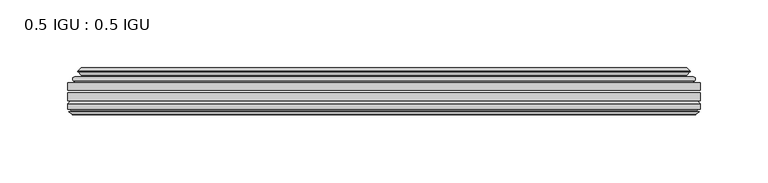
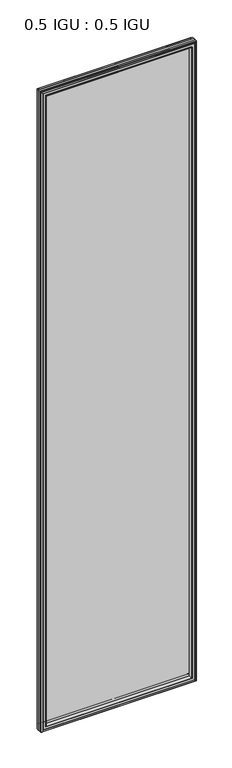
"""IFC4 building model written with IfcOpenShell, lengths in millimetres: plate geometry, 0.5 IGU : 0.5 IGU."""

import ifcopenshell
import ifcopenshell.guid

model = None  # the IFC model being written
_history = None  # IfcOwnerHistory: only IFC2X3 demands one
_inside = {}  # id of a spatial element -> (the spatial element, [elements in it])
_under = {}  # id of a project, library or spatial element -> (it, [spatial elements below it])
_declared = {}  # id of a project -> (the project, [libraries it declares])
_typed = {}  # id of a type object -> (the type object, [elements of that type])
_made_of = {}  # id of a material, layer set ... -> (it, [elements and type objects made of it])


def new_model(schema):
    """Start an empty IFC model of exactly this schema.

    Asked for "IFC4X3", IfcOpenShell would pick the latest addendum, in which some entities
    have other attributes; the version numbers below select the first issue.
    IFC2X3 requires an IfcOwnerHistory on every rooted entity: one is made here for all.
    """
    global model, _history
    if schema == "IFC4X3":
        model = ifcopenshell.file(schema_version=(4, 3, 0, 0))
    else:
        model = ifcopenshell.file(schema=schema)
    _inside.clear()
    _under.clear()
    _declared.clear()
    _typed.clear()
    _made_of.clear()
    _history = None
    if model.schema == "IFC2X3":
        org = make("IfcOrganization", Name="unknown")
        user = make(
            "IfcPersonAndOrganization",
            ThePerson=make("IfcPerson", FamilyName="unknown"),
            TheOrganization=org,
        )
        app = make(
            "IfcApplication",
            ApplicationDeveloper=org,
            Version="unknown",
            ApplicationFullName="unknown",
            ApplicationIdentifier="unknown",
        )
        _history = make(
            "IfcOwnerHistory",
            OwningUser=user,
            OwningApplication=app,
            ChangeAction="ADDED",
            CreationDate=0,
        )
    return model


def make(cls, **values):
    """One entity of the class cls with the attributes given. An attribute that is None is left unset."""
    return model.create_entity(
        cls, **{name: value for name, value in values.items() if value is not None}
    )


def rooted(cls, **values):
    """An entity with a GlobalId (a new one), such as an element, a storey or a relation."""
    return make(cls, GlobalId=ifcopenshell.guid.new(), OwnerHistory=_history, **values)


def si_unit(unit_type, name, prefix=None):
    """IfcSIUnit, for example si_unit("LENGTHUNIT", "METRE", prefix="MILLI")."""
    return make("IfcSIUnit", UnitType=unit_type, Prefix=prefix, Name=name)


def assignment(units):
    """IfcUnitAssignment: the units of a project."""
    return None if units is None else make("IfcUnitAssignment", Units=units)


def point(xyz):
    """IfcCartesianPoint."""
    return None if xyz is None else make("IfcCartesianPoint", Coordinates=xyz)


def direction(xyz):
    """IfcDirection."""
    return None if xyz is None else make("IfcDirection", DirectionRatios=xyz)


def frame(location, z_axis=None, x_axis=None):
    """IfcAxis2Placement3D, a coordinate frame: its origin and axes. An axis left out is left unset."""
    return make(
        "IfcAxis2Placement3D",
        Location=point(location),
        Axis=direction(z_axis),
        RefDirection=direction(x_axis),
    )


def origin():
    """The frame at (0, 0, 0) with its axes left unset."""
    return frame((0.0, 0.0, 0.0))


def place(relative_to, where):
    """IfcLocalPlacement: puts the frame where relative to a parent placement (None: the world)."""
    return make(
        "IfcLocalPlacement", PlacementRelTo=relative_to, RelativePlacement=where
    )


def context(
    kind, dimensions, precision=None, world=None, true_north=None, identifier=None
):
    """IfcGeometricRepresentationContext, for example the 3D "Model" context."""
    return make(
        "IfcGeometricRepresentationContext",
        ContextIdentifier=identifier,
        ContextType=kind,
        CoordinateSpaceDimension=dimensions,
        Precision=precision,
        WorldCoordinateSystem=world,
        TrueNorth=true_north,
    )


def project(units=None, contexts=None):
    """IfcProject with its units and contexts."""
    return rooted(
        "IfcProject",
        Name="project",
        RepresentationContexts=contexts,
        UnitsInContext=assignment(units),
    )


def spatial(cls, under=None, at=None, **own):
    """A site, building, storey or space (cls), placed at a placement, below another one or the project."""
    s = rooted(cls, ObjectPlacement=at, **own)
    if under is not None:
        _under.setdefault(under.id(), (under, []))[1].append(s)
    return s


def polyline(points):
    """IfcPolyline through the points."""
    return make("IfcPolyline", Points=[point(p) for p in points])


def ellipse_curve(where, semi_axis1, semi_axis2):
    """IfcEllipse in the frame where."""
    return make(
        "IfcEllipse", Position=where, SemiAxis1=semi_axis1, SemiAxis2=semi_axis2
    )


def outline(outer, holes=None, kind="AREA"):
    """IfcArbitraryClosedProfileDef: a profile drawn as a closed curve; with holes, ...WithVoids."""
    if holes is None:
        return make("IfcArbitraryClosedProfileDef", ProfileType=kind, OuterCurve=outer)
    return make(
        "IfcArbitraryProfileDefWithVoids",
        ProfileType=kind,
        OuterCurve=outer,
        InnerCurves=holes,
    )


def extrude(swept, where, along, depth):
    """IfcExtrudedAreaSolid: the profile swept, set in the frame where, extruded along a direction by depth."""
    return make(
        "IfcExtrudedAreaSolid",
        SweptArea=swept,
        Position=where,
        ExtrudedDirection=direction(along),
        Depth=depth,
    )


def faces_of(points, faces, orient=None, outer=None):
    """IfcFace entities. A face is a list of loops; a loop is a list of indices into points, from 0.

    orient and outer hold one flag for each loop. By default every Orientation is true, the
    first loop of a face is its IfcFaceOuterBound and the others are IfcFaceBound.
    """
    made = []
    for i, loops in enumerate(faces):
        bounds = []
        for j, loop in enumerate(loops):
            is_outer = j == 0 if outer is None else outer[i][j]
            bounds.append(
                make(
                    "IfcFaceOuterBound" if is_outer else "IfcFaceBound",
                    Bound=make("IfcPolyLoop", Polygon=[points[k] for k in loop]),
                    Orientation=True if orient is None else orient[i][j],
                )
            )
        made.append(make("IfcFace", Bounds=bounds))
    return made


def faceted_brep(points, faces, orient=None, outer=None, voids=None):
    """IfcFacetedBrep: a solid bounded by flat faces; with voids (closed shells), ...WithVoids."""
    shared = [point(p) for p in points]
    hull = make("IfcClosedShell", CfsFaces=faces_of(shared, faces, orient, outer))
    if voids is None:
        return make("IfcFacetedBrep", Outer=hull)
    return make(
        "IfcFacetedBrepWithVoids",
        Outer=hull,
        Voids=[
            make(cls, CfsFaces=faces_of(shared, fs, o, b)) for cls, fs, o, b in voids
        ],
    )


def shape(context_of_items, identifier, shape_type, items):
    """IfcShapeRepresentation: the items that make up one representation, for example the "Body"."""
    return make(
        "IfcShapeRepresentation",
        ContextOfItems=context_of_items,
        RepresentationIdentifier=identifier,
        RepresentationType=shape_type,
        Items=items,
    )


def source(mapping_origin, context_of_items, identifier, shape_type, items):
    """IfcRepresentationMap: a shape defined once, which mapped items show again and again."""
    return make(
        "IfcRepresentationMap",
        MappingOrigin=mapping_origin,
        MappedRepresentation=shape(context_of_items, identifier, shape_type, items),
    )


def transform(
    local_origin,
    x_axis=None,
    y_axis=None,
    z_axis=None,
    scale=None,
    scale2=None,
    scale3=None,
    uniform=True,
):
    """IfcCartesianTransformationOperator3D, or its non-uniform kind. x_axis, y_axis, z_axis: its Axis1, 2, 3."""
    if uniform:
        return make(
            "IfcCartesianTransformationOperator3D",
            Axis1=direction(x_axis),
            Axis2=direction(y_axis),
            LocalOrigin=point(local_origin),
            Scale=scale,
            Axis3=direction(z_axis),
        )
    return make(
        "IfcCartesianTransformationOperator3DnonUniform",
        Axis1=direction(x_axis),
        Axis2=direction(y_axis),
        LocalOrigin=point(local_origin),
        Scale=scale,
        Axis3=direction(z_axis),
        Scale2=scale2,
        Scale3=scale3,
    )


def mapped(mapping_source, mapping_target):
    """IfcMappedItem: shows the shape of a source again, moved by a transform."""
    return make(
        "IfcMappedItem", MappingSource=mapping_source, MappingTarget=mapping_target
    )


def made_of(thing, what):
    """Note that an element or type object is made of a material, layer set ...; save() writes the relation."""
    if what is not None:
        _made_of.setdefault(what.id(), (what, []))[1].append(thing)
    return thing


def element(
    cls,
    number,
    at=None,
    inside=None,
    cuts=None,
    type_object=None,
    material=None,
    context=None,
    identifier="Body",
    shape_type=None,
    held_by="IfcProductDefinitionShape",
    body=None,
    shapes=None,
    **own,
):
    """One element of the class cls, such as IfcWall. Its Tag is "e" and its number.

    at: its placement. inside: the storey or other place that contains it. cuts: it is an
    opening in that element (IfcRelVoidsElement). A single representation is given by context,
    identifier, shape_type and body (its items); several are given by shapes. held_by: the class
    of the entity that holds the representations. save() writes the other relations.
    """
    e = rooted(cls, Tag="e%d" % number, ObjectPlacement=at, **own)
    if body is not None:
        shapes = [shape(context, identifier, shape_type, body)]
    if shapes is not None:
        e.Representation = make(held_by, Representations=shapes)
    if inside is not None:
        _inside.setdefault(inside.id(), (inside, []))[1].append(e)
    if cuts is not None:
        rooted(
            "IfcRelVoidsElement", RelatingBuildingElement=cuts, RelatedOpeningElement=e
        )
    if type_object is not None:
        _typed.setdefault(type_object.id(), (type_object, []))[1].append(e)
    return made_of(e, material)


def aggregate(whole, parts):
    """IfcRelAggregates: a whole, such as a stair, and the parts it consists of."""
    return rooted("IfcRelAggregates", RelatingObject=whole, RelatedObjects=parts)


def save(model, path):
    """Write the relations noted so far, then the file.

    IfcRelAggregates (storeys below a building ...), IfcRelContainedInSpatialStructure (elements
    in a storey), IfcRelDefinesByType, IfcRelAssociatesMaterial and IfcRelDeclares: one each for
    every whole, place, type object, material and project.
    """
    for whole, parts in _under.values():
        aggregate(whole, parts)
    for where, things in _inside.values():
        rooted(
            "IfcRelContainedInSpatialStructure",
            RelatedElements=things,
            RelatingStructure=where,
        )
    for kind, things in _typed.values():
        rooted("IfcRelDefinesByType", RelatedObjects=things, RelatingType=kind)
    for what, things in _made_of.values():
        rooted("IfcRelAssociatesMaterial", RelatedObjects=things, RelatingMaterial=what)
    for by, libraries in _declared.values():
        rooted("IfcRelDeclares", RelatingContext=by, RelatedDefinitions=libraries)
    model.write(path)


def plane_surface(at):
    """IfcPlane: the flat surface through the origin of the frame at, square to its z axis."""
    return make("IfcPlane", Position=at)


def cylinder_surface(at, radius):
    """IfcCylindricalSurface: all points at the distance radius from the z axis of the frame at."""
    return make("IfcCylindricalSurface", Position=at, Radius=radius)


def revolved_surface(curve, axis_point, axis_direction):
    """IfcSurfaceOfRevolution: the curve turned about the line through axis_point along axis_direction."""
    return make(
        "IfcSurfaceOfRevolution",
        SweptCurve=make("IfcArbitraryOpenProfileDef", ProfileType="CURVE", Curve=curve),
        AxisPosition=make("IfcAxis1Placement", Location=point(axis_point), Axis=direction(axis_direction)),
    )


def advanced_brep(points, edges, surfaces, faces):
    """IfcAdvancedBrep: a solid bounded by faces that lie on surfaces and meet in shared edges.

    An edge is (start, end): straight between two places in points (the first is 0);
    or (start, end, curve); or (start, end, curve, False) where it runs against its curve.
    A face is (place in surfaces, loops), or (place, loops, False) where it looks against
    its surface's normal. A loop lists edges by number (the first is 1), with a minus sign
    where the edge is run from its end to its start. The first loop is the outer one.
    """
    corners = [point(p) for p in points]
    vertices = [make("IfcVertexPoint", VertexGeometry=c) for c in corners]
    made = []
    for start, end, *more in edges:
        made.append(
            make(
                "IfcEdgeCurve",
                EdgeStart=vertices[start],
                EdgeEnd=vertices[end],
                EdgeGeometry=more[0] if more else make("IfcPolyline", Points=[corners[start], corners[end]]),
                SameSense=more[1] if len(more) > 1 else True,
            )
        )
    hull = []
    for where, loops, *sense in faces:
        bounds = []
        for j, loop in enumerate(loops):
            ring = [make("IfcOrientedEdge", EdgeElement=made[abs(k) - 1], Orientation=k > 0) for k in loop]
            bounds.append(
                make(
                    "IfcFaceOuterBound" if j == 0 else "IfcFaceBound",
                    Bound=make("IfcEdgeLoop", EdgeList=ring),
                    Orientation=True,
                )
            )
        hull.append(make("IfcAdvancedFace", Bounds=bounds, FaceSurface=surfaces[where], SameSense=sense[0] if sense else True))
    return make("IfcAdvancedBrep", Outer=make("IfcClosedShell", CfsFaces=hull))


def plate_0_5_igu_0_5_igu_014b5b0b(model_context):
    return source(origin(), model_context, "Body", "SolidModel", [
        extrude(outline(polyline([(233.3608, -55.82285), (233.3608, -61.48705), (-233.346625, -61.48705), (-233.346625, -55.82285), (233.3608, -55.82285)])), frame((0.0, 0.0, -14.2875), z_axis=(0.0, 0.0, 1.0), x_axis=(1.0, 0.0, 0.0)), (0.0, 0.0, 1.0), 2025.6537979),
        extrude(outline(polyline([(-233.346625, -69.05625), (-233.346625, -63.39205), (233.3608, -63.39205), (233.3608, -69.05625), (-233.346625, -69.05625)])), frame((0.0, 0.0, -14.2875), z_axis=(0.0, 0.0, 1.0), x_axis=(1.0, 0.0, 0.0)), (0.0, 0.0, 1.0), 2025.6537979),
        advanced_brep(
        [(-229.2440876, -54.3724927, 2007.2599626), (-228.1995628, -51.60645, 2006.2154378), (-228.1995628, -51.60645, -9.1404378), (-229.2440876, -54.3724927, -10.1849626), (-227.607642, -55.82285, 2005.623517), (-227.607642, -55.82285, -8.548517), (-219.059125, -45.63745, 1997.075), (-215.4764011, -55.82285, 1993.4922761), (-215.4764011, -55.82285, 3.5827239), (-219.059125, -45.63745, 0.0), (-224.2450359, -46.8185491, 2002.2609109), (-224.2450359, -46.8185491, -5.1859109), (-223.4480143, -44.8183085, 2001.4638893), (-223.4480143, -44.8183085, -4.3888893), (-225.7317361, -47.135817, 2003.7476111), (-225.7317361, -47.135817, -6.6726111), (-225.7317361, -47.8489429, 2003.7476111), (-225.7317361, -47.8489429, -6.6726111), (-223.4480143, -50.1664515, 2001.4638893), (-223.4480143, -50.1664515, -4.3888893), (-224.2373751, -48.1854367, 2002.2532501), (-224.2373751, -48.1854367, -5.1782501), (-221.7135629, -48.027045, 1999.7294379), (-221.7135629, -48.027045, -2.6544379), (-220.6877467, -48.7147544, 1998.7036217), (-220.6877467, -48.7147544, -1.6286217), (-220.8061538, -50.1092231, 1998.8220288), (-220.8061538, -50.1092231, -1.7470288), (-221.4078998, -51.60645, 1999.4237748), (-221.4078998, -51.60645, -2.3487748), (228.1995628, -51.60645, -9.1404378), (229.2440876, -54.3724927, -10.1849626), (227.607642, -55.82285, -8.548517), (215.4764011, -55.82285, 3.5827239), (219.059125, -45.63745, 0.0), (224.2450359, -46.8185491, -5.1859109), (223.4480143, -44.8183085, -4.3888893), (225.7317361, -47.135817, -6.6726111), (225.7317361, -47.8489429, -6.6726111), (223.4480143, -50.1664515, -4.3888893), (224.2373751, -48.1854367, -5.1782501), (221.7135629, -48.027045, -2.6544379), (220.6877467, -48.7147544, -1.6286217), (220.8061538, -50.1092231, -1.7470288), (221.4078998, -51.60645, -2.3487748), (228.1995628, -51.60645, 2006.2154378), (229.2440876, -54.3724927, 2007.2599626), (227.607642, -55.82285, 2005.623517), (215.4764011, -55.82285, 1993.4922761), (219.059125, -45.63745, 1997.075), (224.2450359, -46.8185491, 2002.2609109), (223.4480143, -44.8183085, 2001.4638893), (225.7317361, -47.135817, 2003.7476111), (225.7317361, -47.8489429, 2003.7476111), (223.4480143, -50.1664515, 2001.4638893), (224.2373751, -48.1854367, 2002.2532501), (221.7135629, -48.027045, 1999.7294379), (220.6877467, -48.7147544, 1998.7036217), (220.8061538, -50.1092231, 1998.8220288), (221.4078998, -51.60645, 1999.4237748)],
        [
            (0, 1, ellipse_curve(frame((-228.1911953, -53.1898501, 2006.2070703), z_axis=(-0.7071067811865475, 0.0, -0.7071067811865475), x_axis=(-0.7071067811865474, 0.0, 0.7071067811865476)), 2.2392971, 1.5834222)),
            (1, 2),
            (2, 3, ellipse_curve(frame((-228.1911953, -53.1898501, -9.1320703), z_axis=(-0.7071067811865475, 0.0, 0.7071067811865475), x_axis=(0.7071067811865474, 0.0, 0.7071067811865476)), 2.2392971, 1.5834222)),
            (3, 0),
            (4, 0),
            (3, 5),
            (5, 4),
            (6, 7, ellipse_curve(frame((-186.779371, -40.0058297, 1964.795246), z_axis=(0.7071067811865475, 0.0, 0.7071067811865475), x_axis=(0.7071067811865474, 0.0, -0.7071067811865476)), 46.3399971, 32.7673262)),
            (7, 8),
            (8, 9, ellipse_curve(frame((-186.779371, -40.0058297, 32.279754), z_axis=(0.7071067811865475, 0.0, -0.7071067811865475), x_axis=(-0.7071067811865474, 0.0, -0.7071067811865476)), 46.3399971, 32.7673262)),
            (9, 6),
            (10, 6),
            (9, 11),
            (11, 10),
            (12, 10),
            (11, 13),
            (13, 12),
            (14, 12),
            (13, 15),
            (15, 14),
            (16, 14, ellipse_curve(frame((-225.3698979, -47.49238, 2003.3857729), z_axis=(-0.7071067811865475, 0.0, -0.7071067811865475), x_axis=(-0.7071067811865474, 0.0, 0.7071067811865476)), 0.7184205, 0.508)),
            (15, 17, ellipse_curve(frame((-225.3698979, -47.49238, -6.3107729), z_axis=(-0.7071067811865475, 0.0, 0.7071067811865475), x_axis=(0.7071067811865474, 0.0, 0.7071067811865476)), 0.7184205, 0.508)),
            (17, 16),
            (18, 16),
            (17, 19),
            (19, 18),
            (20, 18),
            (19, 21),
            (21, 20),
            (22, 20),
            (21, 23),
            (23, 22),
            (24, 22, ellipse_curve(frame((-221.649925, -49.04105, 1999.6658), z_axis=(0.7071067811865475, 0.0, 0.7071067811865475), x_axis=(0.7071067811865474, 0.0, -0.7071067811865476)), 1.436841, 1.016)),
            (23, 25, ellipse_curve(frame((-221.649925, -49.04105, -2.5908), z_axis=(0.7071067811865475, 0.0, -0.7071067811865475), x_axis=(-0.7071067811865474, 0.0, -0.7071067811865476)), 1.436841, 1.016)),
            (25, 24),
            (26, 24, ellipse_curve(frame((-223.021525, -49.21885, 2001.0374), z_axis=(0.7071067811865475, 0.0, 0.7071067811865475), x_axis=(0.7071067811865474, 0.0, -0.7071067811865476)), 3.3765763, 2.3876)),
            (25, 27, ellipse_curve(frame((-223.021525, -49.21885, -3.9624), z_axis=(0.7071067811865475, 0.0, -0.7071067811865475), x_axis=(-0.7071067811865474, 0.0, -0.7071067811865476)), 3.3765763, 2.3876)),
            (27, 26),
            (28, 26),
            (27, 29),
            (29, 28),
            (2, 30),
            (30, 31, ellipse_curve(frame((228.1911953, -53.1898501, -9.1320703), z_axis=(-0.7071067811865475, 0.0, -0.7071067811865475), x_axis=(-0.7071067811865476, 0.0, 0.7071067811865474)), 2.2392971, 1.5834222)),
            (31, 3),
            (31, 32),
            (32, 5),
            (8, 33),
            (33, 34, ellipse_curve(frame((186.779371, -40.0058297, 32.279754), z_axis=(0.7071067811865475, 0.0, 0.7071067811865475), x_axis=(0.7071067811865476, 0.0, -0.7071067811865474)), 46.3399971, 32.7673262)),
            (34, 9),
            (34, 35),
            (35, 11),
            (35, 36),
            (36, 13),
            (36, 37),
            (37, 15),
            (37, 38, ellipse_curve(frame((225.3698979, -47.49238, -6.3107729), z_axis=(-0.7071067811865475, 0.0, -0.7071067811865475), x_axis=(-0.7071067811865476, 0.0, 0.7071067811865474)), 0.7184205, 0.508)),
            (38, 17),
            (38, 39),
            (39, 19),
            (39, 40),
            (40, 21),
            (40, 41),
            (41, 23),
            (41, 42, ellipse_curve(frame((221.649925, -49.04105, -2.5908), z_axis=(0.7071067811865475, 0.0, 0.7071067811865475), x_axis=(0.7071067811865476, 0.0, -0.7071067811865474)), 1.436841, 1.016)),
            (42, 25),
            (42, 43, ellipse_curve(frame((223.021525, -49.21885, -3.9624), z_axis=(0.7071067811865475, 0.0, 0.7071067811865475), x_axis=(0.7071067811865476, 0.0, -0.7071067811865474)), 3.3765763, 2.3876)),
            (43, 27),
            (43, 44),
            (44, 29),
            (30, 45),
            (45, 46, ellipse_curve(frame((228.1911953, -53.1898501, 2006.2070703), z_axis=(0.7071067811865475, 0.0, -0.7071067811865475), x_axis=(-0.7071067811865474, 0.0, -0.7071067811865476)), 2.2392971, 1.5834222)),
            (46, 31),
            (46, 47),
            (47, 32),
            (33, 48),
            (48, 49, ellipse_curve(frame((186.779371, -40.0058297, 1964.795246), z_axis=(-0.7071067811865475, 0.0, 0.7071067811865475), x_axis=(0.7071067811865474, 0.0, 0.7071067811865476)), 46.3399971, 32.7673262)),
            (49, 34),
            (49, 50),
            (50, 35),
            (50, 51),
            (51, 36),
            (51, 52),
            (52, 37),
            (52, 53, ellipse_curve(frame((225.3698979, -47.49238, 2003.3857729), z_axis=(0.7071067811865475, 0.0, -0.7071067811865475), x_axis=(-0.7071067811865474, 0.0, -0.7071067811865476)), 0.7184205, 0.508)),
            (53, 38),
            (53, 54),
            (54, 39),
            (54, 55),
            (55, 40),
            (55, 56),
            (56, 41),
            (56, 57, ellipse_curve(frame((221.649925, -49.04105, 1999.6658), z_axis=(-0.7071067811865475, 0.0, 0.7071067811865475), x_axis=(0.7071067811865474, 0.0, 0.7071067811865476)), 1.436841, 1.016)),
            (57, 42),
            (57, 58, ellipse_curve(frame((223.021525, -49.21885, 2001.0374), z_axis=(-0.7071067811865475, 0.0, 0.7071067811865475), x_axis=(0.7071067811865474, 0.0, 0.7071067811865476)), 3.3765763, 2.3876)),
            (58, 43),
            (58, 59),
            (59, 44),
            (45, 1),
            (0, 46),
            (4, 47),
            (7, 48),
            (6, 49),
            (10, 50),
            (12, 51),
            (14, 52),
            (16, 53),
            (18, 54),
            (20, 55),
            (22, 56),
            (24, 57),
            (26, 58),
            (28, 59),
        ],
        [
            cylinder_surface(frame((-228.1911953, -53.1898501, 2028.825), z_axis=(0.0, 0.0, 1.0), x_axis=(-1.0, 0.0, 0.0)), 1.5834222),
            plane_surface(frame((-229.2440876, -54.3724927, 2007.2599626), z_axis=(-0.6632745773184306, -0.7483761320907135, 0.0), x_axis=(0.0, 0.0, -1.0))),
            revolved_surface(polyline([(-219.54669719999998, -40.0058297, -0.48757218957507575), (-219.54669719999998, -40.0058297, 1997.562572189575)]), (-186.779371, -40.0058297, 2028.825), (0.0, 0.0, -1.0)),
            plane_surface(frame((-219.059125, -45.63745, 1997.075), z_axis=(-0.22206498442787428, 0.975031867525902, 0.0), x_axis=(0.0, 0.0, -1.0))),
            plane_surface(frame((-224.2450359, -46.8185491, 2002.2609109), z_axis=(0.928968268563027, -0.37015936568323066, 0.0), x_axis=(0.0, 0.0, -1.0))),
            plane_surface(frame((-223.4480143, -44.8183085, 2001.4638893), z_axis=(-0.7122798501733482, 0.7018955869907096, 0.0), x_axis=(0.0, 0.0, -1.0))),
            cylinder_surface(frame((-225.3698979, -47.49238, 2028.825), z_axis=(0.0, 0.0, 1.0), x_axis=(-1.0, 0.0, 0.0)), 0.508),
            plane_surface(frame((-225.7317361, -47.8489429, 2003.7476111), z_axis=(-0.7122798501732925, -0.701895586990766, 0.0), x_axis=(0.0, 0.0, -1.0))),
            plane_surface(frame((-223.4480143, -50.1664515, 2001.4638893), z_axis=(0.9289682685628707, 0.3701593656836228, 0.0), x_axis=(0.0, 0.0, -1.0))),
            plane_surface(frame((-224.2373751, -48.1854367, 2002.2532501), z_axis=(0.06263570119284978, -0.9980364567169279, 0.0), x_axis=(0.0, 0.0, -1.0))),
            revolved_surface(polyline([(-222.665925, -49.04105, -3.6068000145867245), (-222.665925, -49.04105, 2000.6818000145868)]), (-221.649925, -49.04105, 2028.825), (0.0, 0.0, -1.0)),
            revolved_surface(polyline([(-225.409125, -49.21885, -6.3499999989237494), (-225.409125, -49.21885, 2003.4249999989238)]), (-223.021525, -49.21885, 2028.825), (0.0, 0.0, -1.0)),
            plane_surface(frame((-220.8061538, -50.1092231, 1998.8220288), z_axis=(-0.9278652925428184, 0.3729155385532094, 0.0), x_axis=(0.0, 0.0, -1.0))),
            cylinder_surface(frame((-250.809125, -53.1898501, -9.1320703), z_axis=(-1.0, 0.0, 0.0), x_axis=(0.0, 0.0, -1.0)), 1.5834222),
            plane_surface(frame((-229.2440876, -54.3724927, -10.1849626), z_axis=(0.0, -0.7483761320907157, -0.6632745773184283), x_axis=(1.0, 0.0, 0.0))),
            revolved_surface(polyline([(219.5466971895749, -40.0058297, -0.48757220000000245), (-219.54669718957493, -40.0058297, -0.48757220000000245)]), (-250.809125, -40.0058297, 32.279754), (1.0, 0.0, 0.0)),
            plane_surface(frame((-219.059125, -45.63745, 0.0), z_axis=(0.0, 0.9750318675259013, -0.22206498442787745), x_axis=(1.0, 0.0, 0.0))),
            plane_surface(frame((-224.2450359, -46.8185491, -5.1859109), z_axis=(0.0, -0.37015936568322766, 0.9289682685630283), x_axis=(1.0, 0.0, 0.0))),
            plane_surface(frame((-223.4480143, -44.8183085, -4.3888893), z_axis=(0.0, 0.7018955869907073, -0.7122798501733504), x_axis=(1.0, 0.0, 0.0))),
            cylinder_surface(frame((-250.809125, -47.49238, -6.3107729), z_axis=(-1.0, 0.0, 0.0), x_axis=(0.0, 0.0, -1.0)), 0.508),
            plane_surface(frame((-225.7317361, -47.8489429, -6.6726111), z_axis=(0.0, -0.7018955869907684, -0.7122798501732903), x_axis=(1.0, 0.0, 0.0))),
            plane_surface(frame((-223.4480143, -50.1664515, -4.3888893), z_axis=(0.0, 0.37015936568362584, 0.9289682685628696), x_axis=(1.0, 0.0, 0.0))),
            plane_surface(frame((-224.2373751, -48.1854367, -5.1782501), z_axis=(0.0, -0.9980364567169276, 0.06263570119285301), x_axis=(1.0, 0.0, 0.0))),
            revolved_surface(polyline([(222.66592501458683, -49.04105, -3.6068000000000002), (-222.66592501458686, -49.04105, -3.6068000000000002)]), (-250.809125, -49.04105, -2.5908), (1.0, 0.0, 0.0)),
            revolved_surface(polyline([(225.4091249989238, -49.21885, -6.35), (-225.40912499892377, -49.21885, -6.35)]), (-250.809125, -49.21885, -3.9624), (1.0, 0.0, 0.0)),
            plane_surface(frame((-220.8061538, -50.1092231, -1.7470288), z_axis=(0.0, 0.3729155385532064, -0.9278652925428196), x_axis=(1.0, 0.0, 0.0))),
            cylinder_surface(frame((228.1911953, -53.1898501, -31.75), z_axis=(0.0, 0.0, -1.0), x_axis=(1.0, 0.0, 0.0)), 1.5834222),
            plane_surface(frame((229.2440876, -54.3724927, -10.1849626), z_axis=(0.6632745773184259, -0.7483761320907178, 0.0), x_axis=(0.0, 0.0, 1.0))),
            revolved_surface(polyline([(219.54669719999998, -40.0058297, 1997.562572189575), (219.54669719999998, -40.0058297, -0.48757218957494075)]), (186.779371, -40.0058297, -31.75), (0.0, 0.0, 1.0)),
            plane_surface(frame((219.059125, -45.63745, 0.0), z_axis=(0.22206498442788059, 0.9750318675259005, 0.0), x_axis=(0.0, 0.0, 1.0))),
            plane_surface(frame((224.2450359, -46.8185491, -5.1859109), z_axis=(-0.9289682685630295, -0.37015936568322466, 0.0), x_axis=(0.0, 0.0, 1.0))),
            plane_surface(frame((223.4480143, -44.8183085, -4.3888893), z_axis=(0.7122798501733526, 0.701895586990705, 0.0), x_axis=(0.0, 0.0, 1.0))),
            cylinder_surface(frame((225.3698979, -47.49238, -31.75), z_axis=(0.0, 0.0, -1.0), x_axis=(1.0, 0.0, 0.0)), 0.508),
            plane_surface(frame((225.7317361, -47.8489429, -6.6726111), z_axis=(0.712279850173288, -0.7018955869907706, 0.0), x_axis=(0.0, 0.0, 1.0))),
            plane_surface(frame((223.4480143, -50.1664515, -4.3888893), z_axis=(-0.9289682685628684, 0.37015936568362884, 0.0), x_axis=(0.0, 0.0, 1.0))),
            plane_surface(frame((224.2373751, -48.1854367, -5.1782501), z_axis=(-0.06263570119285625, -0.9980364567169274, 0.0), x_axis=(0.0, 0.0, 1.0))),
            revolved_surface(polyline([(222.665925, -49.04105, 2000.6818000145868), (222.665925, -49.04105, -3.606800014586863)]), (221.649925, -49.04105, -31.75), (0.0, 0.0, 1.0)),
            revolved_surface(polyline([(225.409125, -49.21885, 2003.4249999989238), (225.409125, -49.21885, -6.349999998923781)]), (223.021525, -49.21885, -31.75), (0.0, 0.0, 1.0)),
            plane_surface(frame((220.8061538, -50.1092231, -1.7470288), z_axis=(0.9278652925428208, 0.3729155385532034, 0.0), x_axis=(0.0, 0.0, 1.0))),
            cylinder_surface(frame((250.809125, -53.1898501, 2006.2070703), z_axis=(1.0, 0.0, 0.0), x_axis=(0.0, 0.0, 1.0)), 1.5834222),
            plane_surface(frame((229.2440876, -54.3724927, 2007.2599626), z_axis=(0.0, -0.7483761320907157, 0.6632745773184283), x_axis=(-1.0, 0.0, 0.0))),
            plane_surface(frame((227.607642, -55.82285, 2005.623517), z_axis=(0.0, -1.0, 0.0), x_axis=(-1.0, 0.0, 0.0))),
            revolved_surface(polyline([(-219.5466971895749, -40.0058297, 1997.5625722), (219.54669718957493, -40.0058297, 1997.5625722)]), (250.809125, -40.0058297, 1964.795246), (-1.0, 0.0, 0.0)),
            plane_surface(frame((219.059125, -45.63745, 1997.075), z_axis=(0.0, 0.9750318675259012, 0.22206498442787742), x_axis=(-1.0, 0.0, 0.0))),
            plane_surface(frame((224.2450359, -46.8185491, 2002.2609109), z_axis=(0.0, -0.37015936568322766, -0.9289682685630283), x_axis=(-1.0, 0.0, 0.0))),
            plane_surface(frame((223.4480143, -44.8183085, 2001.4638893), z_axis=(0.0, 0.7018955869907073, 0.7122798501733504), x_axis=(-1.0, 0.0, 0.0))),
            cylinder_surface(frame((250.809125, -47.49238, 2003.3857729), z_axis=(1.0, 0.0, 0.0), x_axis=(0.0, 0.0, 1.0)), 0.508),
            plane_surface(frame((225.7317361, -47.8489429, 2003.7476111), z_axis=(0.0, -0.7018955869907684, 0.7122798501732903), x_axis=(-1.0, 0.0, 0.0))),
            plane_surface(frame((223.4480143, -50.1664515, 2001.4638893), z_axis=(0.0, 0.37015936568362584, -0.9289682685628696), x_axis=(-1.0, 0.0, 0.0))),
            plane_surface(frame((224.2373751, -48.1854367, 2002.2532501), z_axis=(0.0, -0.9980364567169276, -0.06263570119285301), x_axis=(-1.0, 0.0, 0.0))),
            revolved_surface(polyline([(-222.66592501458683, -49.04105, 2000.6818), (222.66592501458686, -49.04105, 2000.6818)]), (250.809125, -49.04105, 1999.6658), (-1.0, 0.0, 0.0)),
            revolved_surface(polyline([(-225.4091249989238, -49.21885, 2003.425), (225.40912499892377, -49.21885, 2003.425)]), (250.809125, -49.21885, 2001.0374), (-1.0, 0.0, 0.0)),
            plane_surface(frame((220.8061538, -50.1092231, 1998.8220288), z_axis=(0.0, 0.3729155385532064, 0.9278652925428196), x_axis=(-1.0, 0.0, 0.0))),
            plane_surface(frame((221.4078998, -51.60645, 1999.4237748), z_axis=(0.0, 1.0, 0.0), x_axis=(-1.0, 0.0, 0.0))),
        ],
        [
            (0, [[1, 2, 3, 4]]),
            (1, [[5, -4, 6, 7]]),
            (2, [[8, 9, 10, 11]]),
            (3, [[12, -11, 13, 14]]),
            (4, [[15, -14, 16, 17]]),
            (5, [[18, -17, 19, 20]]),
            (6, [[21, -20, 22, 23]]),
            (7, [[24, -23, 25, 26]]),
            (8, [[27, -26, 28, 29]]),
            (9, [[30, -29, 31, 32]]),
            (10, [[33, -32, 34, 35]]),
            (11, [[36, -35, 37, 38]]),
            (12, [[39, -38, 40, 41]]),
            (13, [[-3, 42, 43, 44]]),
            (14, [[-6, -44, 45, 46]]),
            (15, [[-10, 47, 48, 49]]),
            (16, [[-13, -49, 50, 51]]),
            (17, [[-16, -51, 52, 53]]),
            (18, [[-19, -53, 54, 55]]),
            (19, [[-22, -55, 56, 57]]),
            (20, [[-25, -57, 58, 59]]),
            (21, [[-28, -59, 60, 61]]),
            (22, [[-31, -61, 62, 63]]),
            (23, [[-34, -63, 64, 65]]),
            (24, [[-37, -65, 66, 67]]),
            (25, [[-40, -67, 68, 69]]),
            (26, [[-43, 70, 71, 72]]),
            (27, [[-45, -72, 73, 74]]),
            (28, [[-48, 75, 76, 77]]),
            (29, [[-50, -77, 78, 79]]),
            (30, [[-52, -79, 80, 81]]),
            (31, [[-54, -81, 82, 83]]),
            (32, [[-56, -83, 84, 85]]),
            (33, [[-58, -85, 86, 87]]),
            (34, [[-60, -87, 88, 89]]),
            (35, [[-62, -89, 90, 91]]),
            (36, [[-64, -91, 92, 93]]),
            (37, [[-66, -93, 94, 95]]),
            (38, [[-68, -95, 96, 97]]),
            (39, [[-71, 98, -1, 99]]),
            (40, [[-73, -99, -5, 100]]),
            (41, [[-46, -74, -100, -7], [101, -75, -47, -9]]),
            (42, [[-76, -101, -8, 102]]),
            (43, [[-78, -102, -12, 103]]),
            (44, [[-80, -103, -15, 104]]),
            (45, [[-82, -104, -18, 105]]),
            (46, [[-84, -105, -21, 106]]),
            (47, [[-86, -106, -24, 107]]),
            (48, [[-88, -107, -27, 108]]),
            (49, [[-90, -108, -30, 109]]),
            (50, [[-92, -109, -33, 110]]),
            (51, [[-94, -110, -36, 111]]),
            (52, [[-96, -111, -39, 112]]),
            (53, [[-98, -70, -42, -2], [-69, -97, -112, -41]]),
        ],
    ),
        faceted_brep([(-215.2049077, -69.05625, 1993.2207827), (-217.7712048, -77.94625, 1995.7870798), (-217.7712048, -77.94625, 1.2879202), (-215.2049077, -69.05625, 3.8542173), (-233.359325, -71.2633102, 2011.3752), (-231.1522648, -69.05625, 2009.1681398), (-231.1522648, -69.05625, -12.0931398), (-233.359325, -71.2633102, -14.3002), (-233.359325, -75.40625, 2011.3752), (-233.359325, -75.40625, -14.3002), (-230.9403025, -76.58989, 2008.9561775), (-231.809925, -75.40625, 2009.8258), (-231.809925, -75.40625, -12.7508), (-230.9403025, -76.58989, -11.8811775), (-230.743125, -77.8875884, 2008.759), (-230.743125, -77.8875884, -11.684), (-231.718785, -77.3578917, 2009.73466), (-231.718785, -77.3578917, -12.65966), (-230.184325, -79.1749663, 2008.2002), (-232.5114555, -77.3578917, 2010.5273305), (-232.5114555, -77.3578917, -13.4523305), (-230.184325, -79.1749663, -11.1252), (-227.8571945, -77.3578917, 2005.8730695), (-227.8571945, -77.3578917, -8.7980695), (-229.625525, -77.8875884, 2007.6414), (-228.649865, -77.3578917, 2006.66574), (-228.649865, -77.3578917, -9.59074), (-229.625525, -77.8875884, -10.5664), (-229.4283475, -76.58989, 2007.4442225), (-229.4283475, -76.58989, -10.3692225), (-228.558725, -75.40625, 2006.5746), (-228.558725, -75.40625, -9.4996), (-219.4104917, -77.94625, 1997.4263667), (-218.881325, -75.40625, 1996.8972), (-218.881325, -75.40625, 0.1778), (-219.4104917, -77.94625, -0.3513667), (217.7712048, -77.94625, 1.2879202), (215.2049077, -69.05625, 3.8542173), (231.1522648, -69.05625, -12.0931398), (233.359325, -71.2633102, -14.3002), (233.359325, -75.40625, -14.3002), (231.809925, -75.40625, -12.7508), (230.9403025, -76.58989, -11.8811775), (230.743125, -77.8875884, -11.684), (231.718785, -77.3578917, -12.65966), (232.5114555, -77.3578917, -13.4523305), (230.184325, -79.1749663, -11.1252), (227.8571945, -77.3578917, -8.7980695), (228.649865, -77.3578917, -9.59074), (229.625525, -77.8875884, -10.5664), (229.4283475, -76.58989, -10.3692225), (228.558725, -75.40625, -9.4996), (218.881325, -75.40625, 0.1778), (219.4104917, -77.94625, -0.3513667), (217.7712048, -77.94625, 1995.7870798), (215.2049077, -69.05625, 1993.2207827), (231.1522648, -69.05625, 2009.1681398), (233.359325, -71.2633102, 2011.3752), (233.359325, -75.40625, 2011.3752), (231.809925, -75.40625, 2009.8258), (230.9403025, -76.58989, 2008.9561775), (230.743125, -77.8875884, 2008.759), (231.718785, -77.3578917, 2009.73466), (232.5114555, -77.3578917, 2010.5273305), (230.184325, -79.1749663, 2008.2002), (227.8571945, -77.3578917, 2005.8730695), (228.649865, -77.3578917, 2006.66574), (229.625525, -77.8875884, 2007.6414), (229.4283475, -76.58989, 2007.4442225), (228.558725, -75.40625, 2006.5746), (218.881325, -75.40625, 1996.8972), (219.4104917, -77.94625, 1997.4263667)], [[[0, 1, 2, 3]], [[4, 5, 6, 7]], [[8, 4, 7, 9]], [[10, 11, 12, 13]], [[14, 10, 13, 15]], [[16, 14, 15, 17]], [[18, 19, 20, 21]], [[22, 18, 21, 23]], [[24, 25, 26, 27]], [[28, 24, 27, 29]], [[30, 28, 29, 31]], [[32, 33, 34, 35]], [[3, 2, 36, 37]], [[7, 6, 38, 39]], [[9, 7, 39, 40]], [[13, 12, 41, 42]], [[15, 13, 42, 43]], [[17, 15, 43, 44]], [[21, 20, 45, 46]], [[23, 21, 46, 47]], [[27, 26, 48, 49]], [[29, 27, 49, 50]], [[31, 29, 50, 51]], [[35, 34, 52, 53]], [[37, 36, 54, 55]], [[39, 38, 56, 57]], [[40, 39, 57, 58]], [[42, 41, 59, 60]], [[43, 42, 60, 61]], [[44, 43, 61, 62]], [[46, 45, 63, 64]], [[47, 46, 64, 65]], [[49, 48, 66, 67]], [[50, 49, 67, 68]], [[51, 50, 68, 69]], [[53, 52, 70, 71]], [[55, 54, 1, 0]], [[5, 56, 38, 6], [3, 37, 55, 0]], [[57, 56, 5, 4]], [[58, 57, 4, 8]], [[9, 40, 58, 8], [11, 59, 41, 12]], [[60, 59, 11, 10]], [[61, 60, 10, 14]], [[62, 61, 14, 16]], [[19, 63, 45, 20], [17, 44, 62, 16]], [[64, 63, 19, 18]], [[65, 64, 18, 22]], [[25, 66, 48, 26], [23, 47, 65, 22]], [[67, 66, 25, 24]], [[68, 67, 24, 28]], [[69, 68, 28, 30]], [[31, 51, 69, 30], [33, 70, 52, 34]], [[71, 70, 33, 32]], [[35, 53, 71, 32], [1, 54, 36, 2]]]),
    ])


if __name__ == "__main__":
    model = new_model("IFC4")
    model_context = context("Model", 3, world=origin())
    ifc_project = project(units=[si_unit("LENGTHUNIT", "METRE", prefix="MILLI")], contexts=[model_context])
    site = spatial("IfcSite", under=ifc_project)
    building = spatial("IfcBuilding", under=site)
    placement = place(None, origin())
    plate_0_5_igu_0_5_igu_shape = plate_0_5_igu_0_5_igu_014b5b0b(model_context)
    element("IfcPlate", 1, ObjectType="0.5 IGU : 0.5 IGU", at=placement, inside=building, context=model_context, shape_type="MappedRepresentation", body=[
        mapped(plate_0_5_igu_0_5_igu_shape, transform((0.0, 0.0, 0.0), x_axis=(1.0, 0.0, 0.0), y_axis=(0.0, 1.0, 0.0), z_axis=(0.0, 0.0, 1.0))),
    ])
    save(model, "model.ifc")
